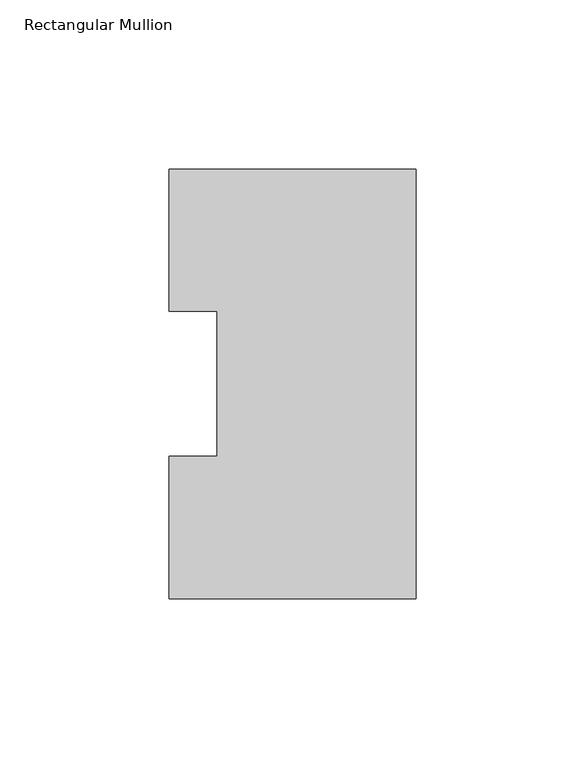
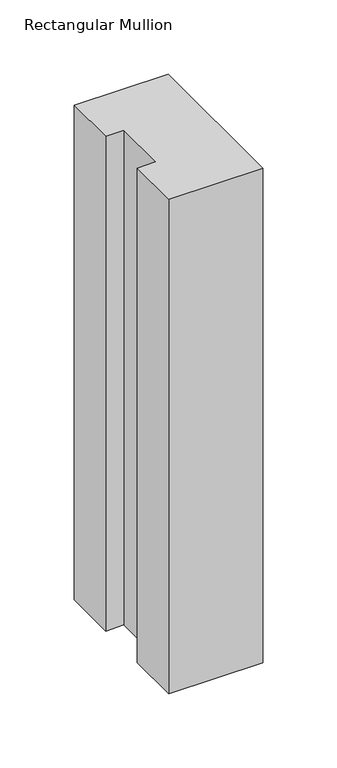
"""IFC4 building model written with IfcOpenShell, lengths in millimetres: member geometry, Rectangular Mullion."""

from ifc_helpers import new_model, si_unit, frame, origin, place, context, project, spatial, polyline, outline, extrude, source, transform, mapped, element, save


def rectangular_mullion_dc2ea293(model_context):
    return source(origin(), model_context, "Body", "SweptSolid", [
        extrude(outline(polyline([(0.0, 126.7086937), (0.0, -0.2913063), (-73.025, -0.2913063), (-73.025, 41.7837937), (-58.7375, 41.7837937), (-58.7375, 84.6335938), (-73.025, 84.6335938), (-73.025, 126.7086937), (0.0, 126.7086937)])), frame((0.0, 0.0, -406.4), z_axis=(0.0, 0.0, 1.0), x_axis=(1.0, 0.0, 0.0)), (0.0, 0.0, 1.0), 406.4),
    ])


if __name__ == "__main__":
    model = new_model("IFC4")
    model_context = context("Model", 3, world=origin())
    ifc_project = project(units=[si_unit("LENGTHUNIT", "METRE", prefix="MILLI")], contexts=[model_context])
    site = spatial("IfcSite", under=ifc_project)
    building = spatial("IfcBuilding", under=site)
    placement = place(None, origin())
    rectangular_mullion_shape = rectangular_mullion_dc2ea293(model_context)
    element("IfcMember", 1, ObjectType="Rectangular Mullion", at=placement, inside=building, context=model_context, shape_type="MappedRepresentation", body=[
        mapped(rectangular_mullion_shape, transform((0.0, 0.0, 0.0), x_axis=(1.0, 0.0, 0.0), y_axis=(0.0, 1.0, 0.0), z_axis=(0.0, 0.0, 1.0))),
    ])
    save(model, "model.ifc")
